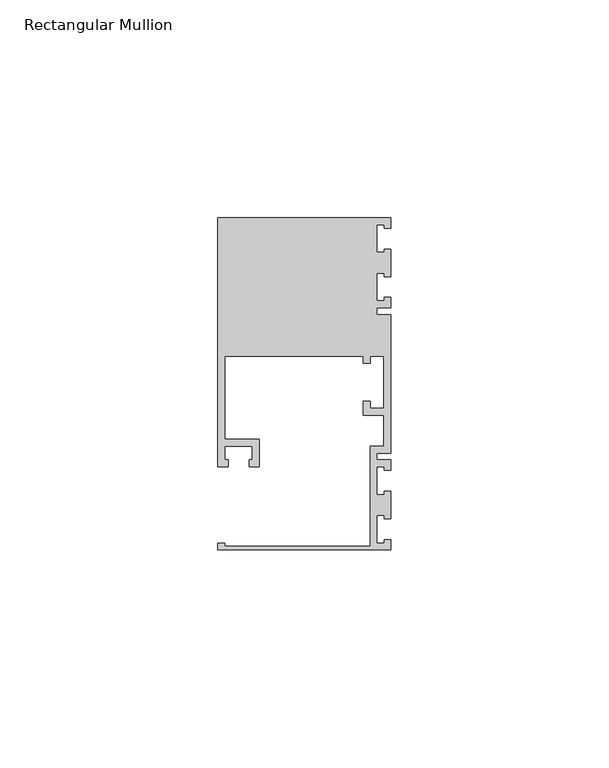
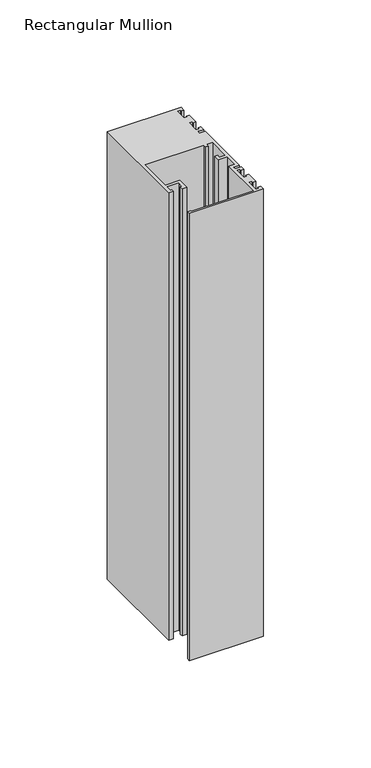
"""IFC4 building model written with IfcOpenShell, lengths in millimetres: member geometry, Rectangular Mullion."""

from ifc_helpers import new_model, si_unit, frame, origin, place, context, project, spatial, polyline, outline, extrude, source, transform, mapped, element, save


def rectangular_mullion_e7d88231(model_context):
    return source(origin(), model_context, "Body", "SweptSolid", [
        extrude(outline(polyline([(0.0, -38.1), (-39.6875, -38.1), (-39.6875, -36.5125), (-38.1, -36.5125), (-38.1, -37.30625), (-4.7625, -37.30625), (-4.7625, -14.2875), (-1.5875, -14.2875), (-1.5875, -7.14375), (-6.35, -7.14375), (-6.35, -3.96875), (-4.7625, -3.96875), (-4.7625, -5.55625), (-1.5875, -5.55625), (-1.5875, 6.35), (-4.7625, 6.35), (-4.7625, 4.7625), (-6.35, 4.7625), (-6.35, 6.35), (-38.1, 6.35), (-38.1, -12.7), (-30.1625, -12.7), (-30.1625, -19.05), (-32.54375, -19.05), (-32.54375, -17.4625), (-31.75, -17.4625), (-31.75, -14.2875), (-38.1, -14.2875), (-38.1, -17.4625), (-37.30625, -17.4625), (-37.30625, -19.05), (-39.6875, -19.05), (-39.6875, 38.1), (0.0, 38.1), (0.0, 35.71875), (-1.4999946, 35.71875), (-1.4999946, 36.5125), (-3.175, 36.5125), (-3.175, 30.1625), (-1.4999946, 30.1625), (-1.4999946, 30.95625), (0.0, 30.95625), (0.0, 24.60625), (-1.4999946, 24.60625), (-1.4999946, 25.4), (-3.175, 25.4), (-3.175, 19.05), (-1.4999946, 19.05), (-1.4999946, 19.84375), (0.0, 19.84375), (0.0, 17.4625), (-3.175, 17.4625), (-3.175, 15.875), (0.0, 15.875), (0.0, -15.875), (-3.175, -15.875), (-3.175, -17.4625), (0.0, -17.4625), (0.0, -19.84375), (-1.4999946, -19.84375), (-1.4999946, -19.05), (-3.175, -19.05), (-3.175, -25.4), (-1.4999946, -25.4), (-1.4999946, -24.60625), (0.0, -24.60625), (0.0, -30.95625), (-1.4999946, -30.95625), (-1.4999946, -30.1625), (-3.175, -30.1625), (-3.175, -36.5125), (-1.4999946, -36.5125), (-1.4999946, -35.71875), (0.0, -35.71875), (0.0, -38.1)])), frame((0.0, 0.0, -254.0), z_axis=(0.0, 0.0, 1.0), x_axis=(1.0, 0.0, 0.0)), (0.0, 0.0, 1.0), 254.0),
    ])


if __name__ == "__main__":
    model = new_model("IFC4")
    model_context = context("Model", 3, world=origin())
    ifc_project = project(units=[si_unit("LENGTHUNIT", "METRE", prefix="MILLI")], contexts=[model_context])
    site = spatial("IfcSite", under=ifc_project)
    building = spatial("IfcBuilding", under=site)
    placement = place(None, origin())
    rectangular_mullion_shape = rectangular_mullion_e7d88231(model_context)
    element("IfcMember", 1, ObjectType="Rectangular Mullion", at=placement, inside=building, context=model_context, shape_type="MappedRepresentation", body=[
        mapped(rectangular_mullion_shape, transform((0.0, 0.0, 0.0), x_axis=(1.0, 0.0, 0.0), y_axis=(0.0, 1.0, 0.0), z_axis=(0.0, 0.0, 1.0))),
    ])
    save(model, "model.ifc")
